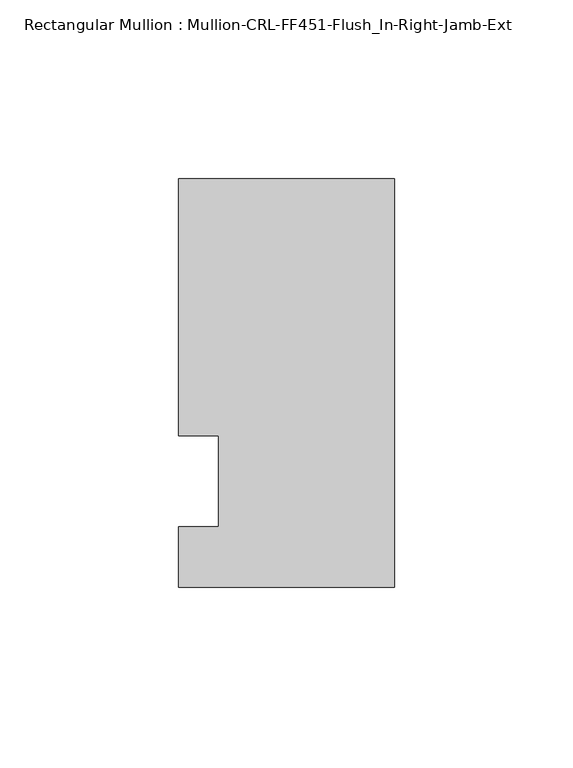
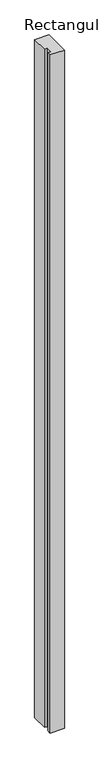
"""IFC4 building model written with IfcOpenShell, lengths in millimetres: member geometry, Rectangular Mullion : Mullion-CRL-FF451-Flush_In-Right-Jamb-Ext."""

from ifc_helpers import new_model, si_unit, frame, origin, place, context, project, spatial, polyline, outline, extrude, source, transform, mapped, element, save


def rectangular_mullion_mullion_crl_ff451_flush_in_right_jamb_d90ae471(model_context):
    return source(origin(), model_context, "Body", "SweptSolid", [
        extrude(outline(polyline([(-60.362207, 84.6545868), (0.0, 84.6545868), (0.0, -29.6454132), (-60.362207, -29.6454132), (-60.362207, -12.7), (-49.222241, -12.7), (-49.222241, 12.7), (-60.362207, 12.7), (-60.362207, 84.6545868)])), frame((0.0, 0.0, -3057.525), z_axis=(0.0, 0.0, 1.0), x_axis=(1.0, 0.0, 0.0)), (0.0, 0.0, 1.0), 3057.525),
    ])


if __name__ == "__main__":
    model = new_model("IFC4")
    model_context = context("Model", 3, world=origin())
    ifc_project = project(units=[si_unit("LENGTHUNIT", "METRE", prefix="MILLI")], contexts=[model_context])
    site = spatial("IfcSite", under=ifc_project)
    building = spatial("IfcBuilding", under=site)
    placement = place(None, origin())
    rectangular_mullion_mullion_crl_ff451_flush_in_right_jamb_shape = rectangular_mullion_mullion_crl_ff451_flush_in_right_jamb_d90ae471(model_context)
    element("IfcMember", 1, ObjectType="Rectangular Mullion : Mullion-CRL-FF451-Flush_In-Right-Jamb-Ext", at=placement, inside=building, context=model_context, shape_type="MappedRepresentation", body=[
        mapped(rectangular_mullion_mullion_crl_ff451_flush_in_right_jamb_shape, transform((0.0, 0.0, 0.0), x_axis=(1.0, 0.0, 0.0), y_axis=(0.0, 1.0, 0.0), z_axis=(0.0, 0.0, 1.0))),
    ])
    save(model, "model.ifc")
